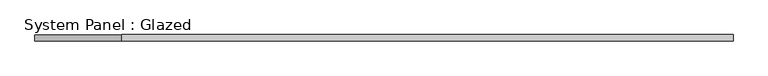
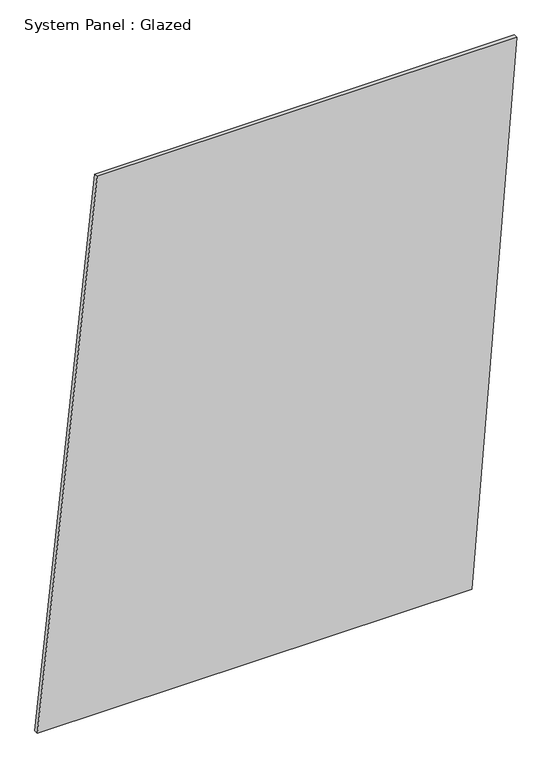
"""IFC4 building model written with IfcOpenShell, lengths in millimetres: plate geometry, System Panel : Glazed."""

from ifc_helpers import new_model, si_unit, frame, origin, place, context, project, spatial, polyline, outline, extrude, source, transform, mapped, element, save


def system_panel_glazed_7a537ca7(model_context):
    return source(origin(), model_context, "Body", "SweptSolid", [
        extrude(outline(polyline([(0.0, -1412.502234), (0.0, 1148.6675524), (3340.8312383, 1412.502234), (3340.8312383, -1060.7226585), (0.0, -1412.502234)])), frame((0.0, -49.5, 0.0), z_axis=(0.0, 1.0, 0.0), x_axis=(0.0, 0.0, 1.0)), (0.0, 0.0, 1.0), 25.0),
    ])


if __name__ == "__main__":
    model = new_model("IFC4")
    model_context = context("Model", 3, world=origin())
    ifc_project = project(units=[si_unit("LENGTHUNIT", "METRE", prefix="MILLI")], contexts=[model_context])
    site = spatial("IfcSite", under=ifc_project)
    building = spatial("IfcBuilding", under=site)
    placement = place(None, origin())
    system_panel_glazed_shape = system_panel_glazed_7a537ca7(model_context)
    element("IfcPlate", 1, ObjectType="System Panel : Glazed", at=placement, inside=building, context=model_context, shape_type="MappedRepresentation", body=[
        mapped(system_panel_glazed_shape, transform((0.0, 0.0, 0.0), x_axis=(1.0, 0.0, 0.0), y_axis=(0.0, 1.0, 0.0), z_axis=(0.0, 0.0, 1.0))),
    ])
    save(model, "model.ifc")
